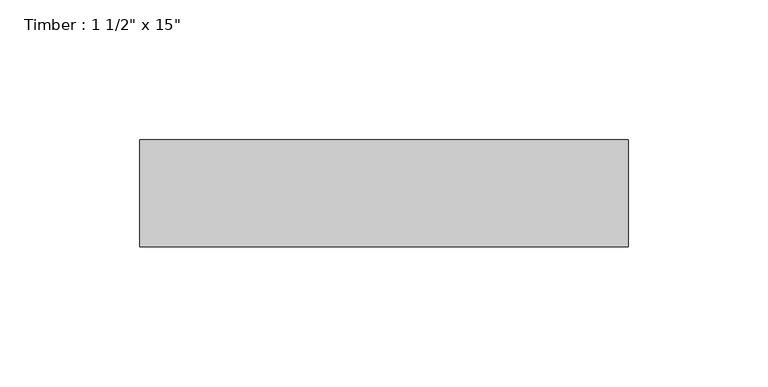
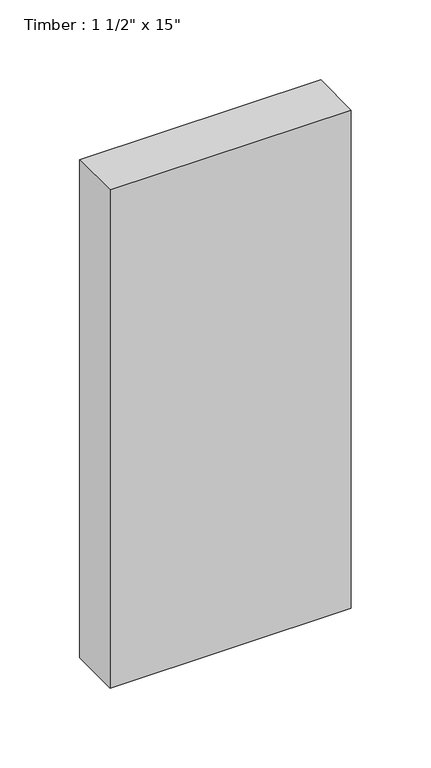
"""IFC4 building model written with IfcOpenShell, lengths in millimetres: beam geometry."""

from ifc_helpers import new_model, si_unit, frame, origin, place, context, project, spatial, polyline, outline, extrude, source, transform, mapped, element, save


def beam_bc296736(model_context):
    return source(origin(), model_context, "Body", "SweptSolid", [
        extrude(outline(polyline([(87.2317795, 19.05), (87.2317795, -19.05), (-87.2317795, -19.05), (-87.2317795, 19.05), (87.2317795, 19.05)])), frame((0.0, 0.0, -190.5), z_axis=(0.0, 0.0, 1.0), x_axis=(1.0, 0.0, 0.0)), (0.0, 0.0, 1.0), 381.0),
    ])


if __name__ == "__main__":
    model = new_model("IFC4")
    model_context = context("Model", 3, world=origin())
    ifc_project = project(units=[si_unit("LENGTHUNIT", "METRE", prefix="MILLI")], contexts=[model_context])
    site = spatial("IfcSite", under=ifc_project)
    building = spatial("IfcBuilding", under=site)
    placement = place(None, origin())
    beam_shape = beam_bc296736(model_context)
    element("IfcBeam", 1, ObjectType="Timber : 1 1/2\" x 15\"", at=placement, inside=building, context=model_context, shape_type="MappedRepresentation", body=[
        mapped(beam_shape, transform((0.0, 0.0, 0.0), x_axis=(1.0, 0.0, 0.0), y_axis=(0.0, 1.0, 0.0), z_axis=(0.0, 0.0, 1.0))),
    ])
    save(model, "model.ifc")
